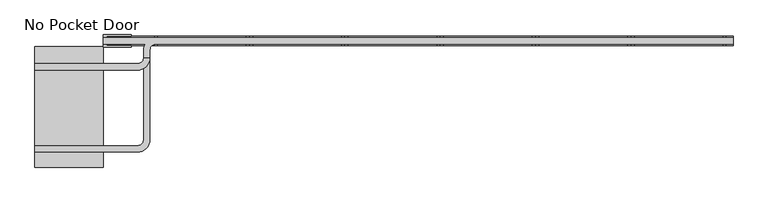
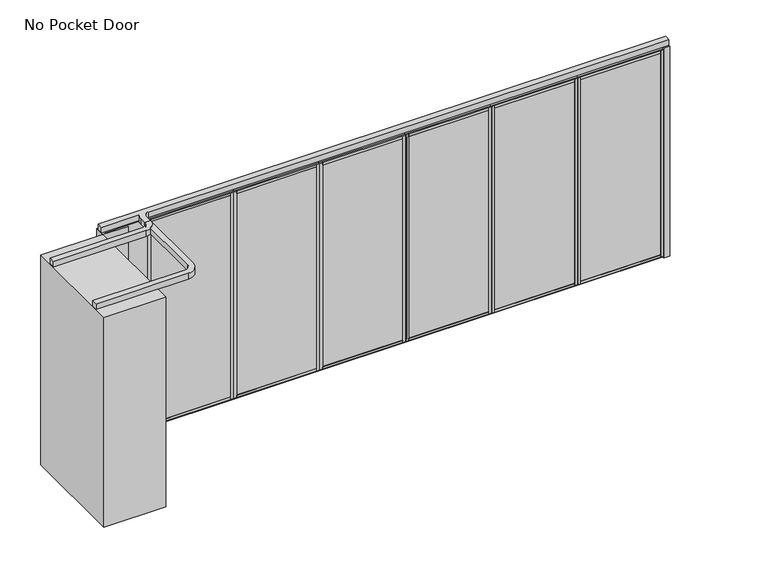
"""IFC4 building model written with IfcOpenShell, lengths in millimetres: proxy geometry, No Pocket Door."""

from ifc_helpers import new_model, si_unit, point, frame, frame_2d, origin, origin_with_axes, place, context, project, spatial, polyline, circle_curve, trimmed, segment, composite_curve, outline, extrude, source, transform, mapped, element, save


def no_pocket_door_9f5ec711(model_context):
    return source(origin(), model_context, "Body", "SweptSolid", [
        extrude(outline(polyline([(3361.736883, 34.13125), (4423.2452164, 34.13125), (4423.2452164, -34.13125), (3361.736883, -34.13125), (3361.736883, 34.13125)])), origin_with_axes(), (0.0, 0.0, 1.0), 22.225),
        extrude(outline(polyline([(3361.736883, 34.13125), (4423.2452164, 34.13125), (4423.2452164, -34.13125), (3361.736883, -34.13125), (3361.736883, 34.13125)])), frame((0.0, 0.0, 2720.975), z_axis=(0.0, 0.0, 1.0), x_axis=(1.0, 0.0, 0.0)), (0.0, 0.0, 1.0), 22.225),
        extrude(outline(polyline([(3396.915883, -50.8), (3361.990883, -50.8), (3361.990883, 50.8), (3396.915883, 50.8), (3396.915883, -50.8)])), frame((0.0, 0.0, 22.225), z_axis=(0.0, 0.0, 1.0), x_axis=(1.0, 0.0, 0.0)), (0.0, 0.0, 1.0), 2698.75),
        extrude(outline(polyline([(4388.0662164, -50.8), (4388.0662164, 50.8), (4422.9912164, 50.8), (4422.9912164, -50.8), (4388.0662164, -50.8)])), frame((0.0, 0.0, 22.225), z_axis=(0.0, 0.0, 1.0), x_axis=(1.0, 0.0, 0.0)), (0.0, 0.0, 1.0), 2698.75),
        extrude(outline(polyline([(0.0, 9.525), (1036.1083334, 9.525), (1036.1083334, 0.0), (0.0, 0.0), (0.0, 9.525)])), frame((4410.5452164, -36.5125, 52.3875), z_axis=(0.0, 1.4530598946293796e-12, 1.0), x_axis=(-1.0, 0.0, 0.0)), (0.0, 0.0, 1.0), 2638.425),
        extrude(outline(polyline([(0.0, 7.9375), (1036.1083334, 7.9375), (1036.1083334, 0.0), (0.0, 0.0), (0.0, 7.9375)])), frame((4410.5452164, 44.45, 52.3875), z_axis=(0.0, -1.775646296664526e-12, 1.0), x_axis=(-1.0, 0.0, 0.0)), (0.0, 0.0, 1.0), 2638.425),
        extrude(outline(polyline([(36.5125, 2605.0875), (-36.5125, 2605.0875), (-36.5125, 2690.8125), (-50.8, 2690.8125), (-50.8, 2720.975), (50.8, 2720.975), (50.8, 2690.8125), (36.5125, 2690.8125), (36.5125, 2605.0875)])), frame((3396.915883, 0.0, 0.0), z_axis=(1.0, 0.0, 0.0), x_axis=(0.0, 1.0, 0.0)), (0.0, 0.0, 1.0), 991.1503333),
        extrude(outline(polyline([(50.8, 22.225), (-50.8, 22.225), (-50.8, 52.3875), (-36.5125, 52.3875), (-36.5125, 138.1125), (36.5125, 138.1125), (36.5125, 52.3875), (50.8, 52.3875), (50.8, 22.225)])), frame((3396.915883, 0.0, 0.0), z_axis=(1.0, 0.0, 0.0), x_axis=(0.0, 1.0, 0.0)), (0.0, 0.0, 1.0), 991.1503333),
        extrude(outline(polyline([(2300.2285497, 34.13125), (3361.736883, 34.13125), (3361.736883, -34.13125), (2300.2285497, -34.13125), (2300.2285497, 34.13125)])), origin_with_axes(), (0.0, 0.0, 1.0), 22.225),
        extrude(outline(polyline([(2300.2285497, 34.13125), (3361.736883, 34.13125), (3361.736883, -34.13125), (2300.2285497, -34.13125), (2300.2285497, 34.13125)])), frame((0.0, 0.0, 2720.975), z_axis=(0.0, 0.0, 1.0), x_axis=(1.0, 0.0, 0.0)), (0.0, 0.0, 1.0), 22.225),
        extrude(outline(polyline([(2335.4075497, -50.8), (2300.4825497, -50.8), (2300.4825497, 50.8), (2335.4075497, 50.8), (2335.4075497, -50.8)])), frame((0.0, 0.0, 22.225), z_axis=(0.0, 0.0, 1.0), x_axis=(1.0, 0.0, 0.0)), (0.0, 0.0, 1.0), 2698.75),
        extrude(outline(polyline([(3326.557883, -50.8), (3326.557883, 50.8), (3361.482883, 50.8), (3361.482883, -50.8), (3326.557883, -50.8)])), frame((0.0, 0.0, 22.225), z_axis=(0.0, 0.0, 1.0), x_axis=(1.0, 0.0, 0.0)), (0.0, 0.0, 1.0), 2698.75),
        extrude(outline(polyline([(0.0, 9.525), (1036.1083333, 9.525), (1036.1083333, 0.0), (0.0, 0.0), (0.0, 9.525)])), frame((3349.036883, -36.5125, 52.3875), z_axis=(0.0, 1.4530598946293796e-12, 1.0), x_axis=(-1.0, 0.0, 0.0)), (0.0, 0.0, 1.0), 2638.425),
        extrude(outline(polyline([(0.0, 7.9375), (1036.1083333, 7.9375), (1036.1083333, 0.0), (0.0, 0.0), (0.0, 7.9375)])), frame((3349.036883, 44.45, 52.3875), z_axis=(0.0, -1.775646296664526e-12, 1.0), x_axis=(-1.0, 0.0, 0.0)), (0.0, 0.0, 1.0), 2638.425),
        extrude(outline(polyline([(36.5125, 2605.0875), (-36.5125, 2605.0875), (-36.5125, 2690.8125), (-50.8, 2690.8125), (-50.8, 2720.975), (50.8, 2720.975), (50.8, 2690.8125), (36.5125, 2690.8125), (36.5125, 2605.0875)])), frame((2335.4075497, 0.0, 0.0), z_axis=(1.0, 0.0, 0.0), x_axis=(0.0, 1.0, 0.0)), (0.0, 0.0, 1.0), 991.1503333),
        extrude(outline(polyline([(50.8, 22.225), (-50.8, 22.225), (-50.8, 52.3875), (-36.5125, 52.3875), (-36.5125, 138.1125), (36.5125, 138.1125), (36.5125, 52.3875), (50.8, 52.3875), (50.8, 22.225)])), frame((2335.4075497, 0.0, 0.0), z_axis=(1.0, 0.0, 0.0), x_axis=(0.0, 1.0, 0.0)), (0.0, 0.0, 1.0), 991.1503333),
        extrude(outline(polyline([(1238.7202164, 34.13125), (2300.2285497, 34.13125), (2300.2285497, -34.13125), (1238.7202164, -34.13125), (1238.7202164, 34.13125)])), origin_with_axes(), (0.0, 0.0, 1.0), 22.225),
        extrude(outline(polyline([(1238.7202164, 34.13125), (2300.2285497, 34.13125), (2300.2285497, -34.13125), (1238.7202164, -34.13125), (1238.7202164, 34.13125)])), frame((0.0, 0.0, 2720.975), z_axis=(0.0, 0.0, 1.0), x_axis=(1.0, 0.0, 0.0)), (0.0, 0.0, 1.0), 22.225),
        extrude(outline(polyline([(1273.8992164, -50.8), (1238.9742164, -50.8), (1238.9742164, 50.8), (1273.8992164, 50.8), (1273.8992164, -50.8)])), frame((0.0, 0.0, 22.225), z_axis=(0.0, 0.0, 1.0), x_axis=(1.0, 0.0, 0.0)), (0.0, 0.0, 1.0), 2698.75),
        extrude(outline(polyline([(2265.0495497, -50.8), (2265.0495497, 50.8), (2299.9745497, 50.8), (2299.9745497, -50.8), (2265.0495497, -50.8)])), frame((0.0, 0.0, 22.225), z_axis=(0.0, 0.0, 1.0), x_axis=(1.0, 0.0, 0.0)), (0.0, 0.0, 1.0), 2698.75),
        extrude(outline(polyline([(0.0, 9.525), (1036.1083333, 9.525), (1036.1083333, 0.0), (0.0, 0.0), (0.0, 9.525)])), frame((2287.5285497, -36.5125, 52.3875), z_axis=(0.0, 1.4530598946293796e-12, 1.0), x_axis=(-1.0, 0.0, 0.0)), (0.0, 0.0, 1.0), 2638.425),
        extrude(outline(polyline([(0.0, 7.9375), (1036.1083333, 7.9375), (1036.1083333, 0.0), (0.0, 0.0), (0.0, 7.9375)])), frame((2287.5285497, 44.45, 52.3875), z_axis=(0.0, -1.775646296664526e-12, 1.0), x_axis=(-1.0, 0.0, 0.0)), (0.0, 0.0, 1.0), 2638.425),
        extrude(outline(polyline([(36.5125, 2605.0875), (-36.5125, 2605.0875), (-36.5125, 2690.8125), (-50.8, 2690.8125), (-50.8, 2720.975), (50.8, 2720.975), (50.8, 2690.8125), (36.5125, 2690.8125), (36.5125, 2605.0875)])), frame((1273.8992164, 0.0, 0.0), z_axis=(1.0, 0.0, 0.0), x_axis=(0.0, 1.0, 0.0)), (0.0, 0.0, 1.0), 991.1503333),
        extrude(outline(polyline([(50.8, 22.225), (-50.8, 22.225), (-50.8, 52.3875), (-36.5125, 52.3875), (-36.5125, 138.1125), (36.5125, 138.1125), (36.5125, 52.3875), (50.8, 52.3875), (50.8, 22.225)])), frame((1273.8992164, 0.0, 0.0), z_axis=(1.0, 0.0, 0.0), x_axis=(0.0, 1.0, 0.0)), (0.0, 0.0, 1.0), 991.1503333),
        extrude(outline(polyline([(177.211883, 34.13125), (1238.7202164, 34.13125), (1238.7202164, -34.13125), (177.211883, -34.13125), (177.211883, 34.13125)])), origin_with_axes(), (0.0, 0.0, 1.0), 22.225),
        extrude(outline(polyline([(177.211883, 34.13125), (1238.7202164, 34.13125), (1238.7202164, -34.13125), (177.211883, -34.13125), (177.211883, 34.13125)])), frame((0.0, 0.0, 2720.975), z_axis=(0.0, 0.0, 1.0), x_axis=(1.0, 0.0, 0.0)), (0.0, 0.0, 1.0), 22.225),
        extrude(outline(polyline([(212.390883, -50.8), (177.465883, -50.8), (177.465883, 50.8), (212.390883, 50.8), (212.390883, -50.8)])), frame((0.0, 0.0, 22.225), z_axis=(0.0, 0.0, 1.0), x_axis=(1.0, 0.0, 0.0)), (0.0, 0.0, 1.0), 2698.75),
        extrude(outline(polyline([(1203.5412164, -50.8), (1203.5412164, 50.8), (1238.4662164, 50.8), (1238.4662164, -50.8), (1203.5412164, -50.8)])), frame((0.0, 0.0, 22.225), z_axis=(0.0, 0.0, 1.0), x_axis=(1.0, 0.0, 0.0)), (0.0, 0.0, 1.0), 2698.75),
        extrude(outline(polyline([(0.0, 9.525), (1036.1083334, 9.525), (1036.1083334, 0.0), (0.0, 0.0), (0.0, 9.525)])), frame((1226.0202164, -36.5125, 52.3875), z_axis=(0.0, 1.4530598946293796e-12, 1.0), x_axis=(-1.0, 0.0, 0.0)), (0.0, 0.0, 1.0), 2638.425),
        extrude(outline(polyline([(0.0, 7.9375), (1036.1083334, 7.9375), (1036.1083334, 0.0), (0.0, 0.0), (0.0, 7.9375)])), frame((1226.0202164, 44.45, 52.3875), z_axis=(0.0, -1.775646296664526e-12, 1.0), x_axis=(-1.0, 0.0, 0.0)), (0.0, 0.0, 1.0), 2638.425),
        extrude(outline(polyline([(36.5125, 2605.0875), (-36.5125, 2605.0875), (-36.5125, 2690.8125), (-50.8, 2690.8125), (-50.8, 2720.975), (50.8, 2720.975), (50.8, 2690.8125), (36.5125, 2690.8125), (36.5125, 2605.0875)])), frame((212.390883, 0.0, 0.0), z_axis=(1.0, 0.0, 0.0), x_axis=(0.0, 1.0, 0.0)), (0.0, 0.0, 1.0), 991.1503333),
        extrude(outline(polyline([(50.8, 22.225), (-50.8, 22.225), (-50.8, 52.3875), (-36.5125, 52.3875), (-36.5125, 138.1125), (36.5125, 138.1125), (36.5125, 52.3875), (50.8, 52.3875), (50.8, 22.225)])), frame((212.390883, 0.0, 0.0), z_axis=(1.0, 0.0, 0.0), x_axis=(0.0, 1.0, 0.0)), (0.0, 0.0, 1.0), 991.1503333),
        extrude(outline(polyline([(4423.2452164, 34.13125), (5484.7535497, 34.13125), (5484.7535497, -34.13125), (4423.2452164, -34.13125), (4423.2452164, 34.13125)])), origin_with_axes(), (0.0, 0.0, 1.0), 22.225),
        extrude(outline(polyline([(4423.2452164, 34.13125), (5484.7535497, 34.13125), (5484.7535497, -34.13125), (4423.2452164, -34.13125), (4423.2452164, 34.13125)])), frame((0.0, 0.0, 2720.975), z_axis=(0.0, 0.0, 1.0), x_axis=(1.0, 0.0, 0.0)), (0.0, 0.0, 1.0), 22.225),
        extrude(outline(polyline([(4458.4242164, -50.8), (4423.4992164, -50.8), (4423.4992164, 50.8), (4458.4242164, 50.8), (4458.4242164, -50.8)])), frame((0.0, 0.0, 22.225), z_axis=(0.0, 0.0, 1.0), x_axis=(1.0, 0.0, 0.0)), (0.0, 0.0, 1.0), 2698.75),
        extrude(outline(polyline([(5449.5745497, -50.8), (5449.5745497, 50.8), (5484.4995497, 50.8), (5484.4995497, -50.8), (5449.5745497, -50.8)])), frame((0.0, 0.0, 22.225), z_axis=(0.0, 0.0, 1.0), x_axis=(1.0, 0.0, 0.0)), (0.0, 0.0, 1.0), 2698.75),
        extrude(outline(polyline([(0.0, 9.525), (1036.1083333, 9.525), (1036.1083333, 0.0), (0.0, 0.0), (0.0, 9.525)])), frame((5472.0535497, -36.5125, 52.3875), z_axis=(0.0, 1.4530598946293796e-12, 1.0), x_axis=(-1.0, 0.0, 0.0)), (0.0, 0.0, 1.0), 2638.425),
        extrude(outline(polyline([(0.0, 7.9375), (1036.1083333, 7.9375), (1036.1083333, 0.0), (0.0, 0.0), (0.0, 7.9375)])), frame((5472.0535497, 44.45, 52.3875), z_axis=(0.0, -1.775646296664526e-12, 1.0), x_axis=(-1.0, 0.0, 0.0)), (0.0, 0.0, 1.0), 2638.425),
        extrude(outline(polyline([(36.5125, 2605.0875), (-36.5125, 2605.0875), (-36.5125, 2690.8125), (-50.8, 2690.8125), (-50.8, 2720.975), (50.8, 2720.975), (50.8, 2690.8125), (36.5125, 2690.8125), (36.5125, 2605.0875)])), frame((4458.4242164, 0.0, 0.0), z_axis=(1.0, 0.0, 0.0), x_axis=(0.0, 1.0, 0.0)), (0.0, 0.0, 1.0), 991.1503333),
        extrude(outline(polyline([(50.8, 22.225), (-50.8, 22.225), (-50.8, 52.3875), (-36.5125, 52.3875), (-36.5125, 138.1125), (36.5125, 138.1125), (36.5125, 52.3875), (50.8, 52.3875), (50.8, 22.225)])), frame((4458.4242164, 0.0, 0.0), z_axis=(1.0, 0.0, 0.0), x_axis=(0.0, 1.0, 0.0)), (0.0, 0.0, 1.0), 991.1503333),
        extrude(outline(polyline([(-884.2964503, 34.13125), (177.211883, 34.13125), (177.211883, -34.13125), (-884.2964503, -34.13125), (-884.2964503, 34.13125)])), origin_with_axes(), (0.0, 0.0, 1.0), 22.225),
        extrude(outline(polyline([(-884.2964503, 34.13125), (177.211883, 34.13125), (177.211883, -34.13125), (-884.2964503, -34.13125), (-884.2964503, 34.13125)])), frame((0.0, 0.0, 2720.975), z_axis=(0.0, 0.0, 1.0), x_axis=(1.0, 0.0, 0.0)), (0.0, 0.0, 1.0), 22.225),
        extrude(outline(polyline([(-849.1174503, -50.8), (-884.0424503, -50.8), (-884.0424503, 50.8), (-849.1174503, 50.8), (-849.1174503, -50.8)])), frame((0.0, 0.0, 22.225), z_axis=(0.0, 0.0, 1.0), x_axis=(1.0, 0.0, 0.0)), (0.0, 0.0, 1.0), 2698.75),
        extrude(outline(polyline([(142.032883, -50.8), (142.032883, 50.8), (176.957883, 50.8), (176.957883, -50.8), (142.032883, -50.8)])), frame((0.0, 0.0, 22.225), z_axis=(0.0, 0.0, 1.0), x_axis=(1.0, 0.0, 0.0)), (0.0, 0.0, 1.0), 2698.75),
        extrude(outline(polyline([(0.0, 9.525), (1036.1083333, 9.525), (1036.1083333, 0.0), (0.0, 0.0), (0.0, 9.525)])), frame((164.511883, -36.5125, 52.3875), z_axis=(0.0, 1.4530598946293796e-12, 1.0), x_axis=(-1.0, 0.0, 0.0)), (0.0, 0.0, 1.0), 2638.425),
        extrude(outline(polyline([(0.0, 7.9375), (1036.1083333, 7.9375), (1036.1083333, 0.0), (0.0, 0.0), (0.0, 7.9375)])), frame((164.511883, 44.45, 52.3875), z_axis=(0.0, -1.775646296664526e-12, 1.0), x_axis=(-1.0, 0.0, 0.0)), (0.0, 0.0, 1.0), 2638.425),
        extrude(outline(polyline([(36.5125, 2605.0875), (-36.5125, 2605.0875), (-36.5125, 2690.8125), (-50.8, 2690.8125), (-50.8, 2720.975), (50.8, 2720.975), (50.8, 2690.8125), (36.5125, 2690.8125), (36.5125, 2605.0875)])), frame((-849.1174503, 0.0, 0.0), z_axis=(1.0, 0.0, 0.0), x_axis=(0.0, 1.0, 0.0)), (0.0, 0.0, 1.0), 991.1503333),
        extrude(outline(polyline([(50.8, 22.225), (-50.8, 22.225), (-50.8, 52.3875), (-36.5125, 52.3875), (-36.5125, 138.1125), (36.5125, 138.1125), (36.5125, 52.3875), (50.8, 52.3875), (50.8, 22.225)])), frame((-849.1174503, 0.0, 0.0), z_axis=(1.0, 0.0, 0.0), x_axis=(0.0, 1.0, 0.0)), (0.0, 0.0, 1.0), 991.1503333),
        extrude(outline(polyline([(-1138.2964503, -68.2625), (-1449.4464503, -68.2625), (-1449.4464503, 68.2625), (-1138.2964503, 68.2625), (-1138.2964503, 50.8), (-1411.3464503, 50.8), (-1411.3464503, -50.8), (-1138.2964503, -50.8), (-1138.2964503, -68.2625)])), origin_with_axes(), (0.0, 0.0, 1.0), 2743.2),
        extrude(outline(polyline([(-884.2964503, -50.8), (-1182.7464503, -50.8), (-1182.7464503, 50.8), (-884.2964503, 50.8), (-884.2964503, -50.8)])), origin_with_axes(), (0.0, 0.0, 1.0), 2743.2),
        extrude(outline(polyline([(5560.9535497, -53.975), (5484.7535497, -53.975), (5484.7535497, 53.975), (5560.9535497, 53.975), (5560.9535497, -53.975)])), origin_with_axes(), (0.0, 0.0, 1.0), 2743.2),
        extrude(outline(composite_curve([segment(polyline([(-2211.4464503, -254.79375), (-1068.4464503, -254.79375)]), True, "CONTINUOUS"), segment(trimmed(circle_curve(frame_2d((-1068.4464503, -188.9125)), 65.88125), [point((-1068.4464503, -254.79375))], [point((-1002.5652003, -188.9125))], True, "CARTESIAN"), True, "CONTINUOUS"), segment(polyline([(-1002.5652003, -188.9125), (-931.1277003, -188.9125)]), True, "CONTINUOUS"), segment(trimmed(circle_curve(frame_2d((-1068.4464503, -188.9125)), 137.31875), [point((-931.1277003, -188.9125))], [point((-1068.4464503, -326.23125))], False, "CARTESIAN"), True, "CONTINUOUS"), segment(polyline([(-1068.4464503, -326.23125), (-2211.4464503, -326.23125), (-2211.4464503, -254.79375)]), True, "CONTINUOUS")], self_intersect=False)), frame((0.0, 0.0, 2743.2), z_axis=(0.0, 0.0, 1.0), x_axis=(1.0, 0.0, 0.0)), (0.0, 0.0, 1.0), 74.6125),
        extrude(outline(composite_curve([segment(polyline([(-884.2964503, 35.71875), (-884.2964503, 34.3909431)]), True, "CONTINUOUS"), segment(trimmed(circle_curve(frame_2d((-865.2464503, -101.6)), 137.31875), [point((-884.2964503, 34.3909431))], [point((-865.2464503, 35.71875))], False, "CARTESIAN"), True, "CONTINUOUS"), segment(polyline([(-865.2464503, 35.71875), (5560.9535497, 35.71875), (5560.9535497, -35.71875), (-865.2464503, -35.71875)]), True, "CONTINUOUS"), segment(trimmed(circle_curve(frame_2d((-865.2464503, -101.6)), 65.88125), [point((-865.2464503, -35.71875))], [point((-931.1277003, -101.6))], True, "CARTESIAN"), True, "CONTINUOUS"), segment(polyline([(-931.1277003, -101.6), (-931.1277003, -1103.3125)]), True, "CONTINUOUS"), segment(trimmed(circle_curve(frame_2d((-1068.4464503, -1103.3125)), 137.31875), [point((-931.1277003, -1103.3125))], [point((-1068.4464503, -1240.63125))], False, "CARTESIAN"), True, "CONTINUOUS"), segment(polyline([(-1068.4464503, -1240.63125), (-2211.4464503, -1240.63125), (-2211.4464503, -1169.19375), (-1068.4464503, -1169.19375)]), True, "CONTINUOUS"), segment(trimmed(circle_curve(frame_2d((-1068.4464503, -1103.3125)), 65.88125), [point((-1068.4464503, -1169.19375))], [point((-1002.5652003, -1103.3125))], True, "CARTESIAN"), True, "CONTINUOUS"), segment(polyline([(-1002.5652003, -1103.3125), (-1002.5652003, -101.6)]), True, "CONTINUOUS"), segment(trimmed(circle_curve(frame_2d((-865.2464503, -101.6)), 137.31875), [point((-1002.5652003, -101.6))], [point((-985.7292291, -35.71875))], False, "CARTESIAN"), True, "CONTINUOUS"), segment(polyline([(-985.7292291, -35.71875), (-1449.4464503, -35.71875), (-1449.4464503, 35.71875), (-884.2964503, 35.71875)]), True, "CONTINUOUS")], self_intersect=False)), frame((0.0, 0.0, 2743.2), z_axis=(0.0, 0.0, 1.0), x_axis=(1.0, 0.0, 0.0)), (0.0, 0.0, 1.0), 74.6125),
        extrude(outline(polyline([(-1449.4464503, -61.9125), (-1449.4464503, -1408.1125), (-2211.4464503, -1408.1125), (-2211.4464503, -61.9125), (-1449.4464503, -61.9125)])), origin_with_axes(), (0.0, 0.0, 1.0), 2743.2),
    ])


if __name__ == "__main__":
    model = new_model("IFC4")
    model_context = context("Model", 3, world=origin())
    ifc_project = project(units=[si_unit("LENGTHUNIT", "METRE", prefix="MILLI")], contexts=[model_context])
    site = spatial("IfcSite", under=ifc_project)
    building = spatial("IfcBuilding", under=site)
    placement = place(None, origin())
    no_pocket_door_shape = no_pocket_door_9f5ec711(model_context)
    element("IfcBuildingElementProxy", 1, Name="No Pocket Door", ObjectType="No Pocket Door", at=placement, inside=building, context=model_context, shape_type="MappedRepresentation", body=[
        mapped(no_pocket_door_shape, transform((0.0, 0.0, 0.0), x_axis=(1.0, 0.0, 0.0), y_axis=(0.0, 1.0, 0.0), z_axis=(0.0, 0.0, 1.0))),
    ])
    save(model, "model.ifc")
